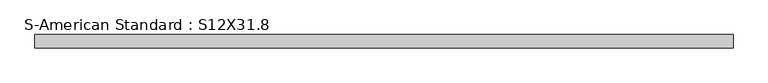
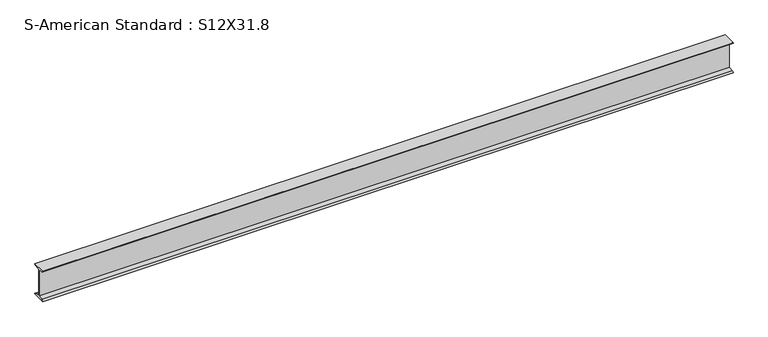
"""IFC4 building model written with IfcOpenShell, lengths in millimetres: beam geometry, S-American Standard : S12X31.8."""

from ifc_helpers import new_model, si_unit, point, frame, frame_2d, origin, place, context, project, spatial, polyline, circle_curve, trimmed, segment, composite_curve, outline, extrude, source, transform, mapped, element, save


def s_american_standard_s12x31_8_8db05155(model_context):
    return source(origin(), model_context, "Body", "SweptSolid", [
        extrude(outline(composite_curve([segment(polyline([(-63.5, 152.4), (63.5, 152.4)]), True, "CONTINUOUS"), segment(trimmed(circle_curve(frame_2d((49.7, 152.4)), 13.8), [point((63.5, 152.4))], [point((49.7, 138.6))], False, "CARTESIAN"), True, "CONTINUOUS"), segment(polyline([(49.7, 138.6), (4.45, 131.4331041), (4.45, -131.4331041), (49.7, -138.6)]), True, "CONTINUOUS"), segment(trimmed(circle_curve(frame_2d((49.7, -152.4)), 13.8), [point((49.7, -138.6))], [point((63.5, -152.4))], False, "CARTESIAN"), True, "CONTINUOUS"), segment(polyline([(63.5, -152.4), (-63.5, -152.4)]), True, "CONTINUOUS"), segment(trimmed(circle_curve(frame_2d((-49.7, -152.4)), 13.8), [point((-63.5, -152.4))], [point((-49.7, -138.6))], False, "CARTESIAN"), True, "CONTINUOUS"), segment(polyline([(-49.7, -138.6), (-4.45, -131.4331041), (-4.45, 131.4331041), (-49.7, 138.6)]), True, "CONTINUOUS"), segment(trimmed(circle_curve(frame_2d((-49.7, 152.4)), 13.8), [point((-49.7, 138.6))], [point((-63.5, 152.4))], False, "CARTESIAN"), True, "CONTINUOUS")], self_intersect=False)), frame((-2875.4394995, 0.0, 0.0), z_axis=(1.0, 0.0, 0.0), x_axis=(0.0, 1.0, 0.0)), (0.0, 0.0, 1.0), 6547.3076916),
    ])


if __name__ == "__main__":
    model = new_model("IFC4")
    model_context = context("Model", 3, world=origin())
    ifc_project = project(units=[si_unit("LENGTHUNIT", "METRE", prefix="MILLI")], contexts=[model_context])
    site = spatial("IfcSite", under=ifc_project)
    building = spatial("IfcBuilding", under=site)
    placement = place(None, origin())
    s_american_standard_s12x31_8_shape = s_american_standard_s12x31_8_8db05155(model_context)
    element("IfcBeam", 1, ObjectType="S-American Standard : S12X31.8", at=placement, inside=building, context=model_context, shape_type="MappedRepresentation", body=[
        mapped(s_american_standard_s12x31_8_shape, transform((0.0, 0.0, 0.0), x_axis=(1.0, 0.0, 0.0), y_axis=(0.0, 1.0, 0.0), z_axis=(0.0, 0.0, 1.0))),
    ])
    save(model, "model.ifc")
